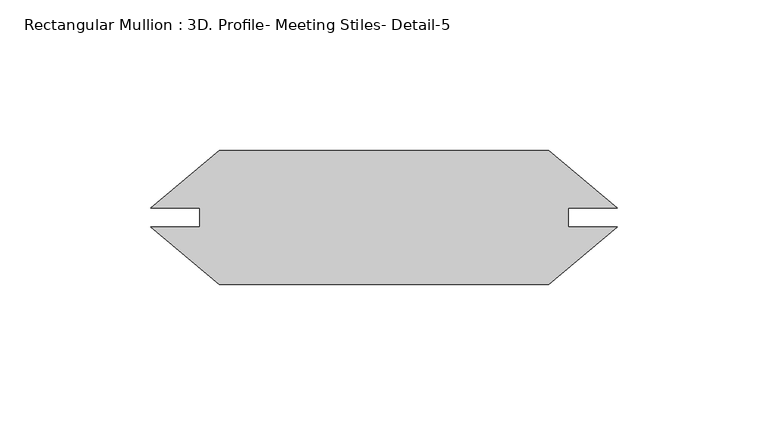
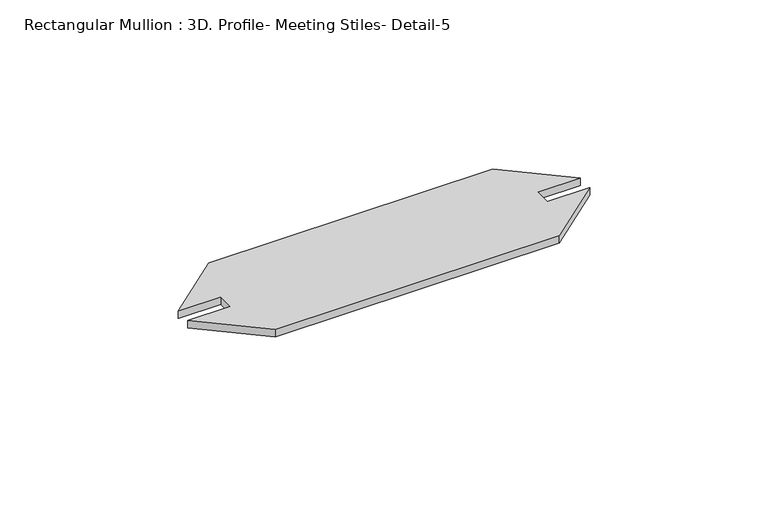
"""IFC4 building model written with IfcOpenShell, lengths in millimetres: member geometry, Rectangular Mullion : 3D. Profile- Meeting Stiles- Detail-5."""

from ifc_helpers import new_model, si_unit, frame, origin, place, context, project, spatial, polyline, outline, extrude, source, transform, mapped, element, save


def rectangular_mullion_3d_profile_meeting_stiles_detail_5_e1c164c4(model_context):
    return source(origin(), model_context, "Body", "SweptSolid", [
        extrude(outline(polyline([(53.2916953, -4.8617188), (-56.0915872, -4.8617187), (-78.8099198, 14.2012258), (-62.5186175, 14.2012258), (-62.5186175, 20.5253367), (-78.8099198, 20.5253367), (-56.0915872, 39.5882813), (53.2916953, 39.5882812), (76.0100279, 20.5253367), (59.7314256, 20.5253367), (59.7314256, 14.2012258), (76.0100279, 14.2012258), (53.2916953, -4.8617188)])), frame((0.0, 0.0, -3.0555957), z_axis=(0.0, 0.0, 1.0), x_axis=(1.0, 0.0, 0.0)), (0.0, 0.0, 1.0), 3.0555957),
    ])


if __name__ == "__main__":
    model = new_model("IFC4")
    model_context = context("Model", 3, world=origin())
    ifc_project = project(units=[si_unit("LENGTHUNIT", "METRE", prefix="MILLI")], contexts=[model_context])
    site = spatial("IfcSite", under=ifc_project)
    building = spatial("IfcBuilding", under=site)
    placement = place(None, origin())
    rectangular_mullion_3d_profile_meeting_stiles_detail_5_shape = rectangular_mullion_3d_profile_meeting_stiles_detail_5_e1c164c4(model_context)
    element("IfcMember", 1, ObjectType="Rectangular Mullion : 3D. Profile- Meeting Stiles- Detail-5", at=placement, inside=building, context=model_context, shape_type="MappedRepresentation", body=[
        mapped(rectangular_mullion_3d_profile_meeting_stiles_detail_5_shape, transform((0.0, 0.0, 0.0), x_axis=(1.0, 0.0, 0.0), y_axis=(0.0, 1.0, 0.0), z_axis=(0.0, 0.0, 1.0))),
    ])
    save(model, "model.ifc")
